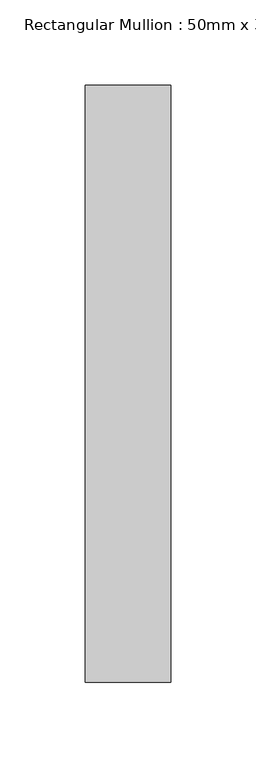
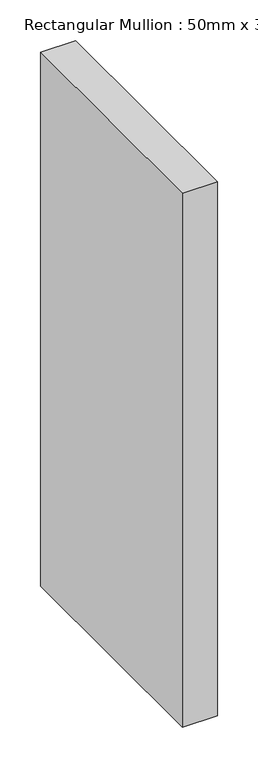
"""IFC4 building model written with IfcOpenShell, lengths in millimetres: member geometry, Rectangular Mullion : 50mm x 350mm."""

import ifcopenshell
import ifcopenshell.guid

model = None  # the IFC model being written
_history = None  # IfcOwnerHistory: only IFC2X3 demands one
_inside = {}  # id of a spatial element -> (the spatial element, [elements in it])
_under = {}  # id of a project, library or spatial element -> (it, [spatial elements below it])
_declared = {}  # id of a project -> (the project, [libraries it declares])
_typed = {}  # id of a type object -> (the type object, [elements of that type])
_made_of = {}  # id of a material, layer set ... -> (it, [elements and type objects made of it])


def new_model(schema):
    """Start an empty IFC model of exactly this schema.

    Asked for "IFC4X3", IfcOpenShell would pick the latest addendum, in which some entities
    have other attributes; the version numbers below select the first issue.
    IFC2X3 requires an IfcOwnerHistory on every rooted entity: one is made here for all.
    """
    global model, _history
    if schema == "IFC4X3":
        model = ifcopenshell.file(schema_version=(4, 3, 0, 0))
    else:
        model = ifcopenshell.file(schema=schema)
    _inside.clear()
    _under.clear()
    _declared.clear()
    _typed.clear()
    _made_of.clear()
    _history = None
    if model.schema == "IFC2X3":
        org = make("IfcOrganization", Name="unknown")
        user = make(
            "IfcPersonAndOrganization",
            ThePerson=make("IfcPerson", FamilyName="unknown"),
            TheOrganization=org,
        )
        app = make(
            "IfcApplication",
            ApplicationDeveloper=org,
            Version="unknown",
            ApplicationFullName="unknown",
            ApplicationIdentifier="unknown",
        )
        _history = make(
            "IfcOwnerHistory",
            OwningUser=user,
            OwningApplication=app,
            ChangeAction="ADDED",
            CreationDate=0,
        )
    return model


def make(cls, **values):
    """One entity of the class cls with the attributes given. An attribute that is None is left unset."""
    return model.create_entity(
        cls, **{name: value for name, value in values.items() if value is not None}
    )


def rooted(cls, **values):
    """An entity with a GlobalId (a new one), such as an element, a storey or a relation."""
    return make(cls, GlobalId=ifcopenshell.guid.new(), OwnerHistory=_history, **values)


def si_unit(unit_type, name, prefix=None):
    """IfcSIUnit, for example si_unit("LENGTHUNIT", "METRE", prefix="MILLI")."""
    return make("IfcSIUnit", UnitType=unit_type, Prefix=prefix, Name=name)


def assignment(units):
    """IfcUnitAssignment: the units of a project."""
    return None if units is None else make("IfcUnitAssignment", Units=units)


def point(xyz):
    """IfcCartesianPoint."""
    return None if xyz is None else make("IfcCartesianPoint", Coordinates=xyz)


def direction(xyz):
    """IfcDirection."""
    return None if xyz is None else make("IfcDirection", DirectionRatios=xyz)


def frame(location, z_axis=None, x_axis=None):
    """IfcAxis2Placement3D, a coordinate frame: its origin and axes. An axis left out is left unset."""
    return make(
        "IfcAxis2Placement3D",
        Location=point(location),
        Axis=direction(z_axis),
        RefDirection=direction(x_axis),
    )


def origin():
    """The frame at (0, 0, 0) with its axes left unset."""
    return frame((0.0, 0.0, 0.0))


def place(relative_to, where):
    """IfcLocalPlacement: puts the frame where relative to a parent placement (None: the world)."""
    return make(
        "IfcLocalPlacement", PlacementRelTo=relative_to, RelativePlacement=where
    )


def context(
    kind, dimensions, precision=None, world=None, true_north=None, identifier=None
):
    """IfcGeometricRepresentationContext, for example the 3D "Model" context."""
    return make(
        "IfcGeometricRepresentationContext",
        ContextIdentifier=identifier,
        ContextType=kind,
        CoordinateSpaceDimension=dimensions,
        Precision=precision,
        WorldCoordinateSystem=world,
        TrueNorth=true_north,
    )


def project(units=None, contexts=None):
    """IfcProject with its units and contexts."""
    return rooted(
        "IfcProject",
        Name="project",
        RepresentationContexts=contexts,
        UnitsInContext=assignment(units),
    )


def spatial(cls, under=None, at=None, **own):
    """A site, building, storey or space (cls), placed at a placement, below another one or the project."""
    s = rooted(cls, ObjectPlacement=at, **own)
    if under is not None:
        _under.setdefault(under.id(), (under, []))[1].append(s)
    return s


def polyline(points):
    """IfcPolyline through the points."""
    return make("IfcPolyline", Points=[point(p) for p in points])


def outline(outer, holes=None, kind="AREA"):
    """IfcArbitraryClosedProfileDef: a profile drawn as a closed curve; with holes, ...WithVoids."""
    if holes is None:
        return make("IfcArbitraryClosedProfileDef", ProfileType=kind, OuterCurve=outer)
    return make(
        "IfcArbitraryProfileDefWithVoids",
        ProfileType=kind,
        OuterCurve=outer,
        InnerCurves=holes,
    )


def extrude(swept, where, along, depth):
    """IfcExtrudedAreaSolid: the profile swept, set in the frame where, extruded along a direction by depth."""
    return make(
        "IfcExtrudedAreaSolid",
        SweptArea=swept,
        Position=where,
        ExtrudedDirection=direction(along),
        Depth=depth,
    )


def shape(context_of_items, identifier, shape_type, items):
    """IfcShapeRepresentation: the items that make up one representation, for example the "Body"."""
    return make(
        "IfcShapeRepresentation",
        ContextOfItems=context_of_items,
        RepresentationIdentifier=identifier,
        RepresentationType=shape_type,
        Items=items,
    )


def source(mapping_origin, context_of_items, identifier, shape_type, items):
    """IfcRepresentationMap: a shape defined once, which mapped items show again and again."""
    return make(
        "IfcRepresentationMap",
        MappingOrigin=mapping_origin,
        MappedRepresentation=shape(context_of_items, identifier, shape_type, items),
    )


def transform(
    local_origin,
    x_axis=None,
    y_axis=None,
    z_axis=None,
    scale=None,
    scale2=None,
    scale3=None,
    uniform=True,
):
    """IfcCartesianTransformationOperator3D, or its non-uniform kind. x_axis, y_axis, z_axis: its Axis1, 2, 3."""
    if uniform:
        return make(
            "IfcCartesianTransformationOperator3D",
            Axis1=direction(x_axis),
            Axis2=direction(y_axis),
            LocalOrigin=point(local_origin),
            Scale=scale,
            Axis3=direction(z_axis),
        )
    return make(
        "IfcCartesianTransformationOperator3DnonUniform",
        Axis1=direction(x_axis),
        Axis2=direction(y_axis),
        LocalOrigin=point(local_origin),
        Scale=scale,
        Axis3=direction(z_axis),
        Scale2=scale2,
        Scale3=scale3,
    )


def mapped(mapping_source, mapping_target):
    """IfcMappedItem: shows the shape of a source again, moved by a transform."""
    return make(
        "IfcMappedItem", MappingSource=mapping_source, MappingTarget=mapping_target
    )


def made_of(thing, what):
    """Note that an element or type object is made of a material, layer set ...; save() writes the relation."""
    if what is not None:
        _made_of.setdefault(what.id(), (what, []))[1].append(thing)
    return thing


def element(
    cls,
    number,
    at=None,
    inside=None,
    cuts=None,
    type_object=None,
    material=None,
    context=None,
    identifier="Body",
    shape_type=None,
    held_by="IfcProductDefinitionShape",
    body=None,
    shapes=None,
    **own,
):
    """One element of the class cls, such as IfcWall. Its Tag is "e" and its number.

    at: its placement. inside: the storey or other place that contains it. cuts: it is an
    opening in that element (IfcRelVoidsElement). A single representation is given by context,
    identifier, shape_type and body (its items); several are given by shapes. held_by: the class
    of the entity that holds the representations. save() writes the other relations.
    """
    e = rooted(cls, Tag="e%d" % number, ObjectPlacement=at, **own)
    if body is not None:
        shapes = [shape(context, identifier, shape_type, body)]
    if shapes is not None:
        e.Representation = make(held_by, Representations=shapes)
    if inside is not None:
        _inside.setdefault(inside.id(), (inside, []))[1].append(e)
    if cuts is not None:
        rooted(
            "IfcRelVoidsElement", RelatingBuildingElement=cuts, RelatedOpeningElement=e
        )
    if type_object is not None:
        _typed.setdefault(type_object.id(), (type_object, []))[1].append(e)
    return made_of(e, material)


def aggregate(whole, parts):
    """IfcRelAggregates: a whole, such as a stair, and the parts it consists of."""
    return rooted("IfcRelAggregates", RelatingObject=whole, RelatedObjects=parts)


def save(model, path):
    """Write the relations noted so far, then the file.

    IfcRelAggregates (storeys below a building ...), IfcRelContainedInSpatialStructure (elements
    in a storey), IfcRelDefinesByType, IfcRelAssociatesMaterial and IfcRelDeclares: one each for
    every whole, place, type object, material and project.
    """
    for whole, parts in _under.values():
        aggregate(whole, parts)
    for where, things in _inside.values():
        rooted(
            "IfcRelContainedInSpatialStructure",
            RelatedElements=things,
            RelatingStructure=where,
        )
    for kind, things in _typed.values():
        rooted("IfcRelDefinesByType", RelatedObjects=things, RelatingType=kind)
    for what, things in _made_of.values():
        rooted("IfcRelAssociatesMaterial", RelatedObjects=things, RelatingMaterial=what)
    for by, libraries in _declared.values():
        rooted("IfcRelDeclares", RelatingContext=by, RelatedDefinitions=libraries)
    model.write(path)


def rectangular_mullion_50mm_x_350mm_f7d5be93(model_context):
    return source(origin(), model_context, "Body", "SweptSolid", [
        extrude(outline(polyline([(0.0, 175.0), (0.0, -175.0), (-50.0, -175.0), (-50.0, 175.0), (0.0, 175.0)])), frame((0.0, 0.0, -803.4), z_axis=(0.0, 0.0, 1.0), x_axis=(1.0, 0.0, 0.0)), (0.0, 0.0, 1.0), 803.4),
    ])


if __name__ == "__main__":
    model = new_model("IFC4")
    model_context = context("Model", 3, world=origin())
    ifc_project = project(units=[si_unit("LENGTHUNIT", "METRE", prefix="MILLI")], contexts=[model_context])
    site = spatial("IfcSite", under=ifc_project)
    building = spatial("IfcBuilding", under=site)
    placement = place(None, origin())
    rectangular_mullion_50mm_x_350mm_shape = rectangular_mullion_50mm_x_350mm_f7d5be93(model_context)
    element("IfcMember", 1, ObjectType="Rectangular Mullion : 50mm x 350mm", at=placement, inside=building, context=model_context, shape_type="MappedRepresentation", body=[
        mapped(rectangular_mullion_50mm_x_350mm_shape, transform((0.0, 0.0, 0.0), x_axis=(1.0, 0.0, 0.0), y_axis=(0.0, 1.0, 0.0), z_axis=(0.0, 0.0, 1.0))),
    ])
    save(model, "model.ifc")
